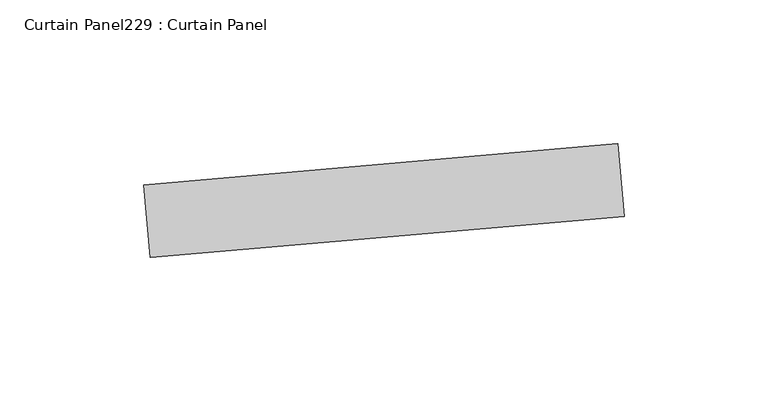
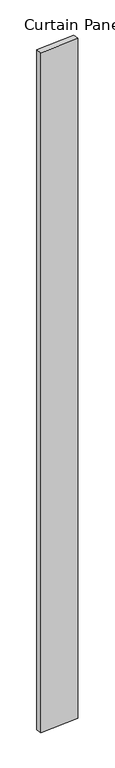
"""IFC4 building model written with IfcOpenShell, lengths in millimetres: plate geometry, Curtain Panel229 : Curtain Panel."""

from ifc_helpers import new_model, si_unit, frame, origin, place, context, project, spatial, polyline, outline, extrude, source, transform, mapped, element, save


def curtain_panel229_curtain_panel_e7ae9b9f(model_context):
    return source(origin(), model_context, "Body", "SweptSolid", [
        extrude(outline(polyline([(636908.5281075, 2238.2696037), (637073.4156024, 2252.6953902), (637075.6293583, 2227.3920449), (636910.7418634, 2212.9662583), (636908.5281075, 2238.2696037)])), frame((0.0, 0.0, 4959.7989371), z_axis=(0.0, 0.0, 1.0), x_axis=(1.0, 0.0, 0.0)), (0.0, 0.0, 1.0), 3048.0),
    ])


if __name__ == "__main__":
    model = new_model("IFC4")
    model_context = context("Model", 3, world=origin())
    ifc_project = project(units=[si_unit("LENGTHUNIT", "METRE", prefix="MILLI")], contexts=[model_context])
    site = spatial("IfcSite", under=ifc_project)
    building = spatial("IfcBuilding", under=site)
    placement = place(None, origin())
    curtain_panel229_curtain_panel_shape = curtain_panel229_curtain_panel_e7ae9b9f(model_context)
    element("IfcPlate", 1, ObjectType="Curtain Panel229 : Curtain Panel", at=placement, inside=building, context=model_context, shape_type="MappedRepresentation", body=[
        mapped(curtain_panel229_curtain_panel_shape, transform((0.0, 0.0, 0.0), x_axis=(1.0, 0.0, 0.0), y_axis=(0.0, 1.0, 0.0), z_axis=(0.0, 0.0, 1.0))),
    ])
    save(model, "model.ifc")
